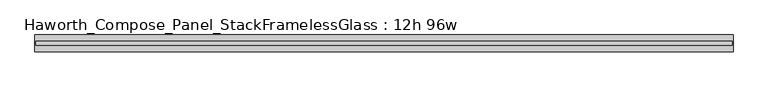
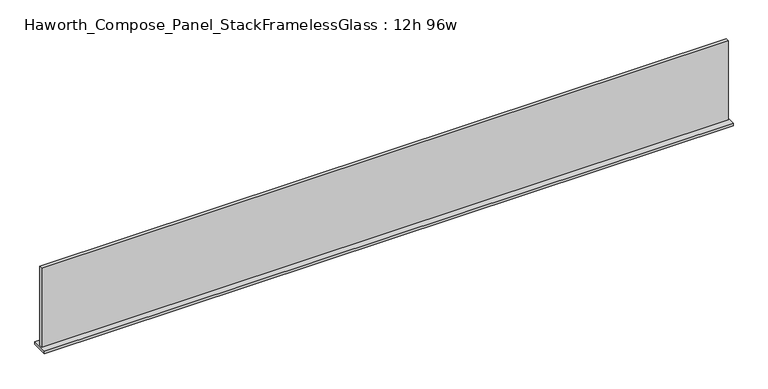
"""IFC4 building model written with IfcOpenShell, lengths in millimetres: furniture geometry, Haworth_Compose_Panel_StackFramelessGlass : 12h 96w."""

from ifc_helpers import new_model, si_unit, frame, origin, place, context, project, spatial, polyline, outline, extrude, source, transform, mapped, element, save


def haworth_compose_panel_stackframelessglass_12h_96w_3b655fad(model_context):
    return source(origin(), model_context, "Body", "SweptSolid", [
        extrude(outline(polyline([(1218.4652902, -27.3093594), (-1213.5847098, -27.3093594), (-1213.5847098, -14.6093594), (1218.4652902, -14.6093594), (1218.4652902, -27.3093594)])), frame((0.0, 0.0, 1279.525), z_axis=(0.0, 0.0, 1.0), x_axis=(1.0, 0.0, 0.0)), (0.0, 0.0, 1.0), 295.275),
        extrude(outline(polyline([(-1216.7597098, -50.3281094), (-1216.7597098, 8.4093906), (1221.6402902, 8.4093906), (1221.6402902, -50.3281094), (-1216.7597098, -50.3281094)])), frame((0.0, 0.0, 1270.0), z_axis=(0.0, 0.0, 1.0), x_axis=(1.0, 0.0, 0.0)), (0.0, 0.0, 1.0), 9.525),
    ])


if __name__ == "__main__":
    model = new_model("IFC4")
    model_context = context("Model", 3, world=origin())
    ifc_project = project(units=[si_unit("LENGTHUNIT", "METRE", prefix="MILLI")], contexts=[model_context])
    site = spatial("IfcSite", under=ifc_project)
    building = spatial("IfcBuilding", under=site)
    placement = place(None, origin())
    haworth_compose_panel_stackframelessglass_12h_96w_shape = haworth_compose_panel_stackframelessglass_12h_96w_3b655fad(model_context)
    element("IfcFurniture", 1, ObjectType="Haworth_Compose_Panel_StackFramelessGlass : 12h 96w", at=placement, inside=building, context=model_context, shape_type="MappedRepresentation", body=[
        mapped(haworth_compose_panel_stackframelessglass_12h_96w_shape, transform((0.0, 0.0, 0.0), x_axis=(1.0, 0.0, 0.0), y_axis=(0.0, 1.0, 0.0), z_axis=(0.0, 0.0, 1.0))),
    ])
    save(model, "model.ifc")
